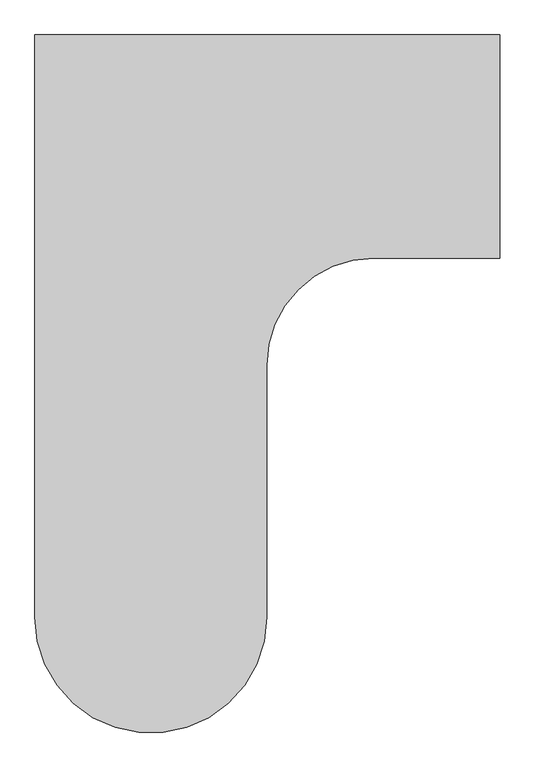
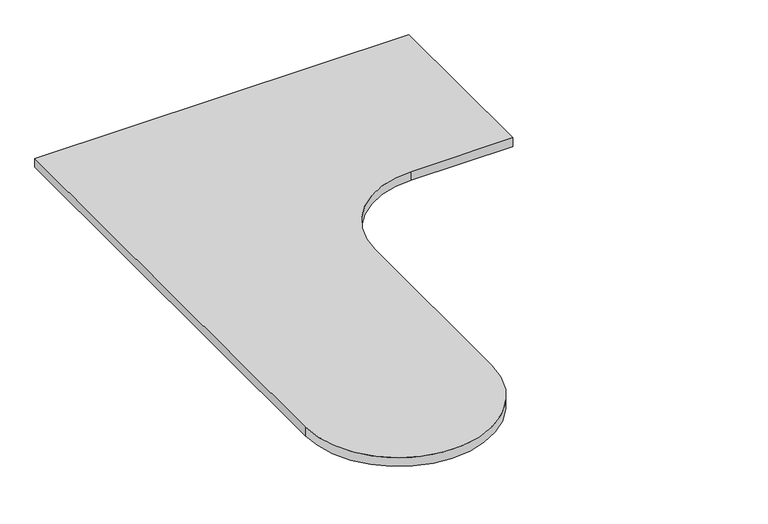
"""IFC4 building model written with IfcOpenShell, lengths in millimetres: furniture geometry."""

from ifc_helpers import new_model, si_unit, point, frame, frame_2d, origin, place, context, project, spatial, polyline, circle_curve, trimmed, segment, composite_curve, outline, extrude, source, transform, mapped, element, save


def furniture_8c931a28(model_context):
    return source(origin(), model_context, "Body", "SweptSolid", [
        extrude(outline(composite_curve([segment(polyline([(-1057.3385002, -617.0549008), (-1057.3385002, 905.4210992), (158.8134998, 905.4210992), (158.8134998, 321.2210992), (-171.386476, 321.2210992)]), True, "CONTINUOUS"), segment(trimmed(circle_curve(frame_2d((-171.386476, 41.821075)), 279.4000242), [point((-171.386476, 321.2210992))], [point((-450.7865002, 41.821075))], True, "CARTESIAN"), True, "CONTINUOUS"), segment(polyline([(-450.7865002, 41.821075), (-450.7865002, -617.0549008)]), True, "CONTINUOUS"), segment(trimmed(circle_curve(frame_2d((-754.0625002, -617.0549008)), 303.276), [point((-450.7865002, -617.0549008))], [point((-1057.3385002, -617.0549008))], False, "CARTESIAN"), True, "CONTINUOUS")], self_intersect=False)), frame((0.0, 0.0, 706.7296), z_axis=(0.0, 0.0, 1.0), x_axis=(1.0, 0.0, 0.0)), (0.0, 0.0, 1.0), 29.8704),
    ])


if __name__ == "__main__":
    model = new_model("IFC4")
    model_context = context("Model", 3, world=origin())
    ifc_project = project(units=[si_unit("LENGTHUNIT", "METRE", prefix="MILLI")], contexts=[model_context])
    site = spatial("IfcSite", under=ifc_project)
    building = spatial("IfcBuilding", under=site)
    placement = place(None, origin())
    furniture_shape = furniture_8c931a28(model_context)
    element("IfcFurniture", 1, at=placement, inside=building, context=model_context, shape_type="MappedRepresentation", body=[
        mapped(furniture_shape, transform((0.0, 0.0, 0.0), x_axis=(1.0, 0.0, 0.0), y_axis=(0.0, 1.0, 0.0), z_axis=(0.0, 0.0, 1.0))),
    ])
    save(model, "model.ifc")
